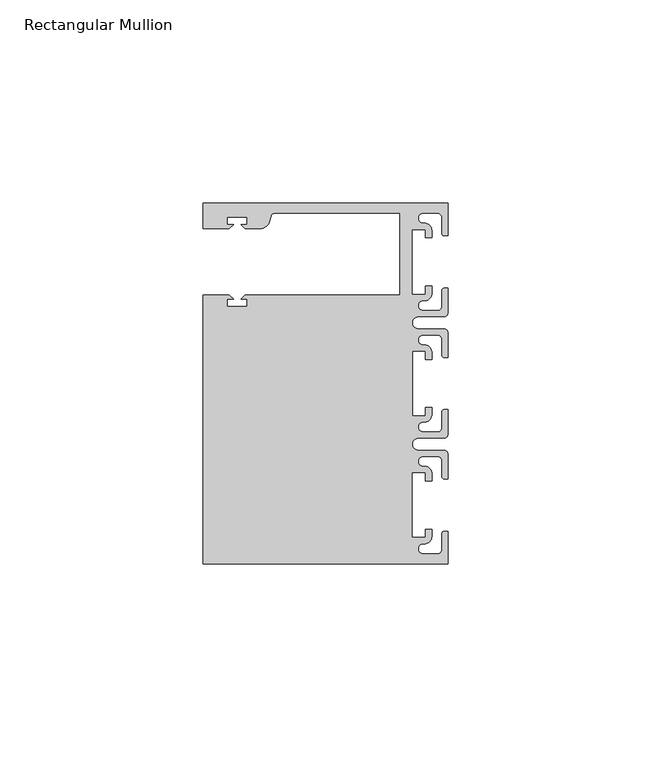
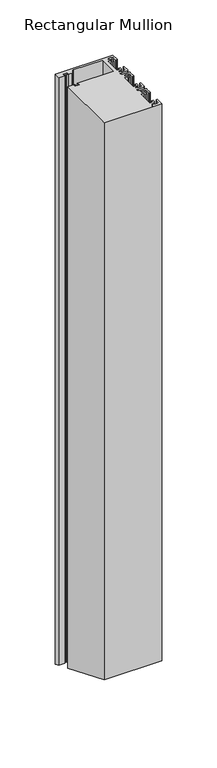
"""IFC4 building model written with IfcOpenShell, lengths in millimetres: member geometry, Rectangular Mullion."""

from ifc_helpers import new_model, si_unit, frame, origin, place, context, project, spatial, polyline, circle_curve, ellipse_curve, source, transform, mapped, element, save
from ifc_brep_helpers import plane_surface, cylinder_surface, revolved_surface, advanced_brep


def rectangular_mullion_9ac4b162(model_context):
    return source(origin(), model_context, "Body", "AdvancedBrep", [
        advanced_brep(
        [(0.0, 44.45, 0.0), (-60.3249977, 44.45, 0.0), (-60.3249977, 38.1499897, 0.0), (-53.8507531, 38.1499897, 0.0), (-52.8507405, 39.1500023, 0.0), (-54.4249778, 39.1500023, 0.0), (-54.4249778, 40.9498819, 0.0), (-49.4249831, 40.9498819, 0.0), (-49.4249831, 39.1500023, 0.0), (-50.999256, 39.1500023, 0.0), (-49.9992503, 38.1499966, 0.0), (-46.3137853, 38.1499966, 0.0), (-43.8989707, 40.002949, 0.0), (-43.5758588, 41.2088192, 0.0), (-42.6099329, 41.9500001, 0.0), (-11.8, 41.95, 0.0), (-11.8, 21.7499959, 0.0), (-49.9992434, 21.7499959, 0.0), (-50.999256, 20.7499834, 0.0), (-49.4250186, 20.7499834, 0.0), (-49.4250186, 18.949936, 0.0), (-54.4250134, 18.949936, 0.0), (-54.4250134, 20.7499834, 0.0), (-52.8507405, 20.7499834, 0.0), (-53.8507562, 21.749999, 0.0), (-60.325, 21.749999, 0.0), (-60.325, -44.45, 0.0), (0.0, -44.45, 0.0), (0.0, -36.4500318, 0.0), (-1.0, -36.4500318, 0.0), (-1.5, -36.9500318, 0.0), (-1.5, -40.95, 0.0), (-2.5, -41.95, 0.0), (-6.0499986, -41.95, 0.0), (-5.9027291, -39.4587029, 0.0), (-4.0000054, -37.7499972, 0.0), (-4.0000054, -35.9500318, 0.0), (-5.5, -35.9500318, 0.0), (-5.5, -37.9499972, 0.0), (-8.8585786, -37.9499972, 0.0), (-8.8585786, -21.9499956, 0.0), (-5.5, -21.9499956, 0.0), (-5.5, -23.9499611, 0.0), (-3.9999946, -23.9499611, 0.0), (-3.9999946, -22.0272972, 0.0), (-6.0499986, -20.4499956, 0.0), (-6.0499986, -17.9499929, 0.0), (-2.5, -17.9499929, 0.0), (-1.5, -18.9499929, 0.0), (-1.5, -22.9499611, 0.0), (-1.0, -23.4499611, 0.0), (0.0, -23.4499611, 0.0), (0.0, -17.4499929, 0.0), (-1.0, -16.4499929, 0.0), (-7.3, -16.4499929, 0.0), (-7.3046244, -13.45, 0.0), (-1.0, -13.45, 0.0), (0.0, -12.45, 0.0), (0.0, -6.4500354, 0.0), (-0.9999964, -6.4500354, 0.0), (-1.4999964, -6.9500354, 0.0), (-1.4999964, -10.95, 0.0), (-2.4999964, -11.95, 0.0), (-6.0499986, -11.95, 0.0), (-6.0499986, -9.4499972, 0.0), (-4.0000054, -7.7499972, 0.0), (-4.0000054, -5.9500318, 0.0), (-5.5, -5.9500318, 0.0), (-5.5, -7.9499972, 0.0), (-8.8, -7.9499972, 0.0), (-8.8, 7.9499972, 0.0), (-5.5, 7.9499972, 0.0), (-5.5, 5.9500318, 0.0), (-4.0000054, 5.9500318, 0.0), (-4.0000054, 7.7499972, 0.0), (-6.0499986, 9.4499972, 0.0), (-6.0499986, 11.95, 0.0), (-2.4999964, 11.95, 0.0), (-1.4999964, 10.95, 0.0), (-1.4999964, 6.9500354, 0.0), (-0.9999964, 6.4500354, 0.0), (0.0, 6.4500354, 0.0), (0.0, 12.45, 0.0), (-1.0, 13.45, 0.0), (-7.3046244, 13.45, 0.0), (-7.3, 16.4499929, 0.0), (-1.0, 16.4499929, 0.0), (0.0, 17.4499929, 0.0), (0.0, 23.4499611, 0.0), (-1.0, 23.4499611, 0.0), (-1.5, 22.9499611, 0.0), (-1.5, 18.9499929, 0.0), (-2.5, 17.9499929, 0.0), (-6.0499986, 17.9499929, 0.0), (-6.0499986, 20.4499956, 0.0), (-3.9999946, 22.0272972, 0.0), (-3.9999946, 23.9499611, 0.0), (-5.5, 23.9499611, 0.0), (-5.5, 21.9499956, 0.0), (-8.8585786, 21.9499956, 0.0), (-8.8585786, 37.9499972, 0.0), (-5.5, 37.9499972, 0.0), (-5.5, 35.9500318, 0.0), (-4.0000054, 35.9500318, 0.0), (-4.0000054, 37.7499972, 0.0), (-5.9027291, 39.4587029, 0.0), (-6.0499986, 41.95, 0.0), (-2.5, 41.95, 0.0), (-1.5, 40.95, 0.0), (-1.5, 36.9500318, 0.0), (-1.0, 36.4500318, 0.0), (0.0, 36.4500318, 0.0), (0.0, 44.45, -653.4117928), (-60.3249977, 44.45, -653.4117928), (-60.3249977, 38.1499897, -650.8022431), (-53.8507531, 38.1499897, -650.8022431), (-52.8507405, 39.1500023, -651.2164619), (-54.4249778, 39.1500023, -651.2164619), (-54.4249778, 40.9498819, -651.9619965), (-49.4249831, 40.9498819, -651.9619965), (-49.4249831, 39.1500023, -651.2164619), (-50.999256, 39.1500023, -651.2164619), (-49.9992503, 38.1499966, -650.802246), (-46.3137853, 38.1499966, -650.802246), (-43.8989707, 40.002949, -651.569764), (-43.5758588, 41.2088192, -652.0692518), (-42.6099329, 41.9500001, -652.376259), (-11.8, 41.95, -652.3762589), (-11.8, 21.7499959, -644.0091433), (-49.9992434, 21.7499959, -644.0091433), (-50.999256, 20.7499834, -643.5949245), (-49.4250186, 20.7499834, -643.5949245), (-49.4250186, 18.949936, -642.8493205), (-54.4250134, 18.949936, -642.8493205), (-54.4250134, 20.7499834, -643.5949245), (-52.8507405, 20.7499834, -643.5949245), (-53.8507562, 21.749999, -644.0091446), (-60.325, 21.749999, -644.0091446), (-60.325, -44.45, -616.5882072), (0.0, -44.45, -616.5882072), (0.0, -36.4500318, -619.9019025), (-1.0, -36.4500318, -619.9019025), (-1.5, -36.9500318, -619.6947957), (-1.5, -40.95, -618.0379546), (-2.5, -41.95, -617.6237411), (-6.0499986, -41.95, -617.6237411), (-5.9027291, -39.4587029, -618.6556701), (-4.0000054, -37.7499972, -619.3634392), (-4.0000054, -35.9500318, -620.1090093), (-5.5, -35.9500318, -620.1090093), (-5.5, -37.9499972, -619.2805964), (-8.8585786, -37.9499972, -619.2805964), (-8.8585786, -21.9499956, -625.9080141), (-5.5, -21.9499956, -625.9080141), (-5.5, -23.9499611, -625.0796013), (-3.9999946, -23.9499611, -625.0796013), (-3.9999946, -22.0272972, -625.8759947), (-6.0499986, -20.4499956, -626.5293345), (-6.0499986, -17.9499929, -627.5648695), (-2.5, -17.9499929, -627.5648695), (-1.5, -18.9499929, -627.1506559), (-1.5, -22.9499611, -625.4938149), (-1.0, -23.4499611, -625.2867081), (0.0, -23.4499611, -625.2867081), (0.0, -17.4499929, -627.7719763), (-1.0, -16.4499929, -628.1861899), (-7.3, -16.4499929, -628.1861899), (-7.3046244, -13.45, -629.4288276), (-1.0, -13.45, -629.4288276), (0.0, -12.45, -629.8430411), (0.0, -6.4500354, -632.3283079), (-0.9999964, -6.4500354, -632.3283079), (-1.4999964, -6.9500354, -632.1212011), (-1.4999964, -10.95, -630.4643615), (-2.4999964, -11.95, -630.0501479), (-6.0499986, -11.95, -630.0501479), (-6.0499986, -9.4499972, -631.085683), (-4.0000054, -7.7499972, -631.789846), (-4.0000054, -5.9500318, -632.5354161), (-5.5, -5.9500318, -632.5354161), (-5.5, -7.9499972, -631.7070033), (-8.8, -7.9499972, -631.7070033), (-8.8, 7.9499972, -638.2929967), (-5.5, 7.9499972, -638.2929967), (-5.5, 5.9500318, -637.4645839), (-4.0000054, 5.9500318, -637.4645839), (-4.0000054, 7.7499972, -638.210154), (-6.0499986, 9.4499972, -638.914317), (-6.0499986, 11.95, -639.9498521), (-2.4999964, 11.95, -639.9498521), (-1.4999964, 10.95, -639.5356385), (-1.4999964, 6.9500354, -637.8787989), (-0.9999964, 6.4500354, -637.6716921), (0.0, 6.4500354, -637.6716921), (0.0, 12.45, -640.1569589), (-1.0, 13.45, -640.5711724), (-7.3046244, 13.45, -640.5711724), (-7.3, 16.4499929, -641.8138101), (-1.0, 16.4499929, -641.8138101), (0.0, 17.4499929, -642.2280237), (0.0, 23.4499611, -644.7132919), (-1.0, 23.4499611, -644.7132919), (-1.5, 22.9499611, -644.5061851), (-1.5, 18.9499929, -642.8493441), (-2.5, 17.9499929, -642.4351305), (-6.0499986, 17.9499929, -642.4351305), (-6.0499986, 20.4499956, -643.4706655), (-3.9999946, 22.0272972, -644.1240053), (-3.9999946, 23.9499611, -644.9203987), (-5.5, 23.9499611, -644.9203987), (-5.5, 21.9499956, -644.0919859), (-8.8585786, 21.9499956, -644.0919859), (-8.8585786, 37.9499972, -650.7194036), (-5.5, 37.9499972, -650.7194036), (-5.5, 35.9500318, -649.8909907), (-4.0000054, 35.9500318, -649.8909907), (-4.0000054, 37.7499972, -650.6365608), (-5.9027291, 39.4587029, -651.3443299), (-6.0499986, 41.95, -652.3762589), (-2.5, 41.95, -652.3762589), (-1.5, 40.95, -651.9620454), (-1.5, 36.9500318, -650.3052043), (-1.0, 36.4500318, -650.0980975), (0.0, 36.4500318, -650.0980975)],
        [
            (0, 1),
            (1, 2),
            (2, 3),
            (3, 4),
            (4, 5),
            (5, 6),
            (6, 7),
            (7, 8),
            (8, 9),
            (9, 10),
            (10, 11),
            (11, 12, circle_curve(frame((-46.3137853, 40.6499966, 0.0), z_axis=(0.0, 0.0, 1.0), x_axis=(0.0, -1.0, 0.0)), 2.5)),
            (12, 13),
            (13, 14, circle_curve(frame((-42.6099329, 40.9500001, 0.0), z_axis=(0.0, 0.0, -1.0), x_axis=(0.0, -1.0, 0.0)), 1.0)),
            (14, 15),
            (15, 16),
            (16, 17),
            (17, 18),
            (18, 19),
            (19, 20),
            (20, 21),
            (21, 22),
            (22, 23),
            (23, 24),
            (24, 25),
            (25, 26),
            (26, 27),
            (27, 28),
            (28, 29),
            (29, 30, circle_curve(frame((-1.0, -36.9500318, 0.0), z_axis=(0.0, 0.0, 1.0), x_axis=(0.0, 1.0, 0.0)), 0.5)),
            (30, 31),
            (31, 32, circle_curve(frame((-2.5, -40.95, 0.0), z_axis=(0.0, 0.0, -1.0), x_axis=(0.0, 1.0, 0.0)), 1.0)),
            (32, 33),
            (33, 34, circle_curve(frame((-6.0499986, -40.6999986, 0.0), z_axis=(0.0, 0.0, -1.0), x_axis=(0.0, 1.0, 0.0)), 1.2500014)),
            (34, 35, circle_curve(frame((-5.7186029, -37.7499972, 0.0), z_axis=(0.0, 0.0, 1.0), x_axis=(1.0, 0.0, 0.0)), 1.7185975)),
            (35, 36),
            (36, 37),
            (37, 38),
            (38, 39),
            (39, 40),
            (40, 41),
            (41, 42),
            (42, 43),
            (43, 44),
            (44, 45, circle_curve(frame((-5.7543344, -22.1865598, 0.0), z_axis=(0.0, 0.0, 1.0), x_axis=(1.0, 0.0, 0.0)), 1.761554)),
            (45, 46, circle_curve(frame((-6.0499986, -19.1999942, 0.0), z_axis=(0.0, 0.0, -1.0), x_axis=(0.0, 1.0, 0.0)), 1.2500014)),
            (46, 47),
            (47, 48, circle_curve(frame((-2.5, -18.9499929, 0.0), z_axis=(0.0, 0.0, -1.0), x_axis=(0.0, 1.0, 0.0)), 1.0)),
            (48, 49),
            (49, 50, circle_curve(frame((-1.0, -22.9499611, 0.0), z_axis=(0.0, 0.0, 1.0), x_axis=(0.0, 1.0, 0.0)), 0.5)),
            (50, 51),
            (51, 52),
            (52, 53, circle_curve(frame((-1.0, -17.4499929, 0.0), z_axis=(0.0, 0.0, 1.0), x_axis=(0.0, 1.0, 0.0)), 1.0)),
            (53, 54),
            (54, 55, circle_curve(frame((-7.3, -14.9499929, 0.0), z_axis=(0.0, 0.0, -1.0), x_axis=(0.0, 1.0, 0.0)), 1.5)),
            (55, 56),
            (56, 57, circle_curve(frame((-1.0, -12.45, 0.0), z_axis=(0.0, 0.0, 1.0), x_axis=(0.0, 1.0, 0.0)), 1.0)),
            (57, 58),
            (58, 59),
            (59, 60, circle_curve(frame((-0.9999964, -6.9500354, 0.0), z_axis=(0.0, 0.0, 1.0), x_axis=(0.0, 1.0, 0.0)), 0.5)),
            (60, 61),
            (61, 62, circle_curve(frame((-2.4999964, -10.95, 0.0), z_axis=(0.0, 0.0, -1.0), x_axis=(0.0, 1.0, 0.0)), 1.0)),
            (62, 63),
            (63, 64, circle_curve(frame((-6.0499986, -10.6999986, 0.0), z_axis=(0.0, 0.0, -1.0), x_axis=(0.0, 1.0, 0.0)), 1.2500014)),
            (64, 65, circle_curve(frame((-5.7298824, -7.7499972, 0.0), z_axis=(0.0, 0.0, 1.0), x_axis=(1.0, 0.0, 0.0)), 1.729877)),
            (65, 66),
            (66, 67),
            (67, 68),
            (68, 69),
            (69, 70),
            (70, 71),
            (71, 72),
            (72, 73),
            (73, 74),
            (74, 75, circle_curve(frame((-5.7298824, 7.7499972, 0.0), z_axis=(0.0, 0.0, 1.0), x_axis=(1.0, 0.0, 0.0)), 1.729877)),
            (75, 76, circle_curve(frame((-6.0499986, 10.6999986, 0.0), z_axis=(0.0, 0.0, -1.0), x_axis=(0.0, -1.0, 0.0)), 1.2500014)),
            (76, 77),
            (77, 78, circle_curve(frame((-2.4999964, 10.95, 0.0), z_axis=(0.0, 0.0, -1.0), x_axis=(0.0, -1.0, 0.0)), 1.0)),
            (78, 79),
            (79, 80, circle_curve(frame((-0.9999964, 6.9500354, 0.0), z_axis=(0.0, 0.0, 1.0), x_axis=(0.0, -1.0, 0.0)), 0.5)),
            (80, 81),
            (81, 82),
            (82, 83, circle_curve(frame((-1.0, 12.45, 0.0), z_axis=(0.0, 0.0, 1.0), x_axis=(0.0, -1.0, 0.0)), 1.0)),
            (83, 84),
            (84, 85, circle_curve(frame((-7.3, 14.9499929, 0.0), z_axis=(0.0, 0.0, -1.0), x_axis=(0.0, -1.0, 0.0)), 1.5)),
            (85, 86),
            (86, 87, circle_curve(frame((-1.0, 17.4499929, 0.0), z_axis=(0.0, 0.0, 1.0), x_axis=(0.0, -1.0, 0.0)), 1.0)),
            (87, 88),
            (88, 89),
            (89, 90, circle_curve(frame((-1.0, 22.9499611, 0.0), z_axis=(0.0, 0.0, 1.0), x_axis=(0.0, -1.0, 0.0)), 0.5)),
            (90, 91),
            (91, 92, circle_curve(frame((-2.5, 18.9499929, 0.0), z_axis=(0.0, 0.0, -1.0), x_axis=(0.0, -1.0, 0.0)), 1.0)),
            (92, 93),
            (93, 94, circle_curve(frame((-6.0499986, 19.1999942, 0.0), z_axis=(0.0, 0.0, -1.0), x_axis=(0.0, -1.0, 0.0)), 1.2500014)),
            (94, 95, circle_curve(frame((-5.7543344, 22.1865598, 0.0), z_axis=(0.0, 0.0, 1.0), x_axis=(1.0, 0.0, 0.0)), 1.761554)),
            (95, 96),
            (96, 97),
            (97, 98),
            (98, 99),
            (99, 100),
            (100, 101),
            (101, 102),
            (102, 103),
            (103, 104),
            (104, 105, circle_curve(frame((-5.7186029, 37.7499972, 0.0), z_axis=(0.0, 0.0, 1.0), x_axis=(1.0, 0.0, 0.0)), 1.7185975)),
            (105, 106, circle_curve(frame((-6.0499986, 40.6999986, 0.0), z_axis=(0.0, 0.0, -1.0), x_axis=(0.0, -1.0, 0.0)), 1.2500014)),
            (106, 107),
            (107, 108, circle_curve(frame((-2.5, 40.95, 0.0), z_axis=(0.0, 0.0, -1.0), x_axis=(0.0, -1.0, 0.0)), 1.0)),
            (108, 109),
            (109, 110, circle_curve(frame((-1.0, 36.9500318, 0.0), z_axis=(0.0, 0.0, 1.0), x_axis=(0.0, -1.0, 0.0)), 0.5)),
            (110, 111),
            (111, 0),
            (0, 112),
            (112, 113),
            (113, 1),
            (113, 114),
            (114, 2),
            (114, 115),
            (115, 3),
            (115, 116),
            (116, 4),
            (116, 117),
            (117, 5),
            (117, 118),
            (118, 6),
            (118, 119),
            (119, 7),
            (119, 120),
            (120, 8),
            (120, 121),
            (121, 9),
            (121, 122),
            (122, 10),
            (122, 123),
            (123, 11),
            (123, 124, ellipse_curve(frame((-46.3137853, 40.6499966, -651.8377799), z_axis=(0.0, 0.38268343236509095, 0.9238795325112864), x_axis=(0.0, -0.9238795325112866, 0.3826834323650903)), 2.7059805, 2.5)),
            (124, 12),
            (124, 125),
            (125, 13),
            (125, 126, ellipse_curve(frame((-42.6099329, 40.9500001, -651.9620454), z_axis=(0.0, -0.38268343236509095, -0.9238795325112864), x_axis=(0.0, 0.9238795325112866, -0.3826834323650903)), 1.0823922, 1.0)),
            (126, 14),
            (126, 127),
            (127, 15),
            (127, 128),
            (128, 16),
            (128, 129),
            (129, 17),
            (129, 130),
            (130, 18),
            (130, 131),
            (131, 19),
            (131, 132),
            (132, 20),
            (132, 133),
            (133, 21),
            (133, 134),
            (134, 22),
            (134, 135),
            (135, 23),
            (135, 136),
            (136, 24),
            (136, 137),
            (137, 25),
            (137, 138),
            (138, 26),
            (138, 139),
            (139, 27),
            (139, 140),
            (140, 28),
            (140, 141),
            (141, 29),
            (141, 142, ellipse_curve(frame((-1.0, -36.9500318, -619.6947957), z_axis=(0.0, 0.38268343236509095, 0.9238795325112864), x_axis=(0.0, -0.9238795325112866, 0.3826834323650903)), 0.5411961, 0.5)),
            (142, 30),
            (142, 143),
            (143, 31),
            (143, 144, ellipse_curve(frame((-2.5, -40.95, -618.0379546), z_axis=(0.0, -0.38268343236509095, -0.9238795325112864), x_axis=(0.0, 0.9238795325112866, -0.3826834323650903)), 1.0823922, 1.0)),
            (144, 32),
            (144, 145),
            (145, 33),
            (145, 146, ellipse_curve(frame((-6.0499986, -40.6999986, -618.1415086), z_axis=(0.0, -0.38268343236509095, -0.9238795325112864), x_axis=(0.0, 0.9238795325112866, -0.3826834323650903)), 1.3529917, 1.2500014)),
            (146, 34),
            (146, 147, ellipse_curve(frame((-5.7186029, -37.7499972, -619.3634392), z_axis=(0.0, 0.38268343236509095, 0.9238795325112864), x_axis=(0.0, -0.9238795325112866, 0.3826834323650903)), 1.8601965, 1.7185975)),
            (147, 35),
            (147, 148),
            (148, 36),
            (148, 149),
            (149, 37),
            (149, 150),
            (150, 38),
            (150, 151),
            (151, 39),
            (151, 152),
            (152, 40),
            (152, 153),
            (153, 41),
            (153, 154),
            (154, 42),
            (154, 155),
            (155, 43),
            (155, 156),
            (156, 44),
            (156, 157, ellipse_curve(frame((-5.7543344, -22.1865598, -625.810026), z_axis=(0.0, 0.38268343236509095, 0.9238795325112864), x_axis=(0.0, -0.9238795325112866, 0.3826834323650903)), 1.9066923, 1.761554)),
            (157, 45),
            (157, 158, ellipse_curve(frame((-6.0499986, -19.1999942, -627.047102), z_axis=(0.0, -0.38268343236509095, -0.9238795325112864), x_axis=(0.0, 0.9238795325112866, -0.3826834323650903)), 1.3529917, 1.2500014)),
            (158, 46),
            (158, 159),
            (159, 47),
            (159, 160, ellipse_curve(frame((-2.5, -18.9499929, -627.1506559), z_axis=(0.0, -0.38268343236509095, -0.9238795325112864), x_axis=(0.0, 0.9238795325112866, -0.3826834323650903)), 1.0823922, 1.0)),
            (160, 48),
            (160, 161),
            (161, 49),
            (161, 162, ellipse_curve(frame((-1.0, -22.9499611, -625.4938149), z_axis=(0.0, 0.38268343236509095, 0.9238795325112864), x_axis=(0.0, -0.9238795325112866, 0.3826834323650903)), 0.5411961, 0.5)),
            (162, 50),
            (162, 163),
            (163, 51),
            (163, 164),
            (164, 52),
            (164, 165, ellipse_curve(frame((-1.0, -17.4499929, -627.7719763), z_axis=(0.0, 0.38268343236509095, 0.9238795325112864), x_axis=(0.0, -0.9238795325112866, 0.3826834323650903)), 1.0823922, 1.0)),
            (165, 53),
            (165, 166),
            (166, 54),
            (166, 167, ellipse_curve(frame((-7.3, -14.9499929, -628.8075102), z_axis=(0.0, -0.38268343236509095, -0.9238795325112864), x_axis=(0.0, 0.9238795325112866, -0.3826834323650903)), 1.6235883, 1.5)),
            (167, 55),
            (167, 168),
            (168, 56),
            (168, 169, ellipse_curve(frame((-1.0, -12.45, -629.8430411), z_axis=(0.0, 0.38268343236509095, 0.9238795325112864), x_axis=(0.0, -0.9238795325112866, 0.3826834323650903)), 1.0823922, 1.0)),
            (169, 57),
            (169, 170),
            (170, 58),
            (170, 171),
            (171, 59),
            (171, 172, ellipse_curve(frame((-0.9999964, -6.9500354, -632.1212011), z_axis=(0.0, 0.38268343236509095, 0.9238795325112864), x_axis=(0.0, -0.9238795325112866, 0.3826834323650903)), 0.5411961, 0.5)),
            (172, 60),
            (172, 173),
            (173, 61),
            (173, 174, ellipse_curve(frame((-2.4999964, -10.95, -630.4643615), z_axis=(0.0, -0.38268343236509095, -0.9238795325112864), x_axis=(0.0, 0.9238795325112866, -0.3826834323650903)), 1.0823922, 1.0)),
            (174, 62),
            (174, 175),
            (175, 63),
            (175, 176, ellipse_curve(frame((-6.0499986, -10.6999986, -630.5679155), z_axis=(0.0, -0.38268343236509095, -0.9238795325112864), x_axis=(0.0, 0.9238795325112866, -0.3826834323650903)), 1.3529917, 1.2500014)),
            (176, 64),
            (176, 177, ellipse_curve(frame((-5.7298824, -7.7499972, -631.789846), z_axis=(0.0, 0.38268343236509095, 0.9238795325112864), x_axis=(0.0, -0.9238795325112866, 0.3826834323650903)), 1.8724054, 1.729877)),
            (177, 65),
            (177, 178),
            (178, 66),
            (178, 179),
            (179, 67),
            (179, 180),
            (180, 68),
            (180, 181),
            (181, 69),
            (181, 182),
            (182, 70),
            (182, 183),
            (183, 71),
            (183, 184),
            (184, 72),
            (184, 185),
            (185, 73),
            (185, 186),
            (186, 74),
            (186, 187, ellipse_curve(frame((-5.7298824, 7.7499972, -638.210154), z_axis=(0.0, 0.38268343236509095, 0.9238795325112864), x_axis=(0.0, -0.9238795325112866, 0.3826834323650903)), 1.8724054, 1.729877)),
            (187, 75),
            (187, 188, ellipse_curve(frame((-6.0499986, 10.6999986, -639.4320845), z_axis=(0.0, -0.38268343236509095, -0.9238795325112864), x_axis=(0.0, 0.9238795325112866, -0.3826834323650903)), 1.3529917, 1.2500014)),
            (188, 76),
            (188, 189),
            (189, 77),
            (189, 190, ellipse_curve(frame((-2.4999964, 10.95, -639.5356385), z_axis=(0.0, -0.38268343236509095, -0.9238795325112864), x_axis=(0.0, 0.9238795325112866, -0.3826834323650903)), 1.0823922, 1.0)),
            (190, 78),
            (190, 191),
            (191, 79),
            (191, 192, ellipse_curve(frame((-0.9999964, 6.9500354, -637.8787989), z_axis=(0.0, 0.38268343236509095, 0.9238795325112864), x_axis=(0.0, -0.9238795325112866, 0.3826834323650903)), 0.5411961, 0.5)),
            (192, 80),
            (192, 193),
            (193, 81),
            (193, 194),
            (194, 82),
            (194, 195, ellipse_curve(frame((-1.0, 12.45, -640.1569589), z_axis=(0.0, 0.38268343236509095, 0.9238795325112864), x_axis=(0.0, -0.9238795325112866, 0.3826834323650903)), 1.0823922, 1.0)),
            (195, 83),
            (195, 196),
            (196, 84),
            (196, 197, ellipse_curve(frame((-7.3, 14.9499929, -641.1924898), z_axis=(0.0, -0.38268343236509095, -0.9238795325112864), x_axis=(0.0, 0.9238795325112866, -0.3826834323650903)), 1.6235883, 1.5)),
            (197, 85),
            (197, 198),
            (198, 86),
            (198, 199, ellipse_curve(frame((-1.0, 17.4499929, -642.2280237), z_axis=(0.0, 0.38268343236509095, 0.9238795325112864), x_axis=(0.0, -0.9238795325112866, 0.3826834323650903)), 1.0823922, 1.0)),
            (199, 87),
            (199, 200),
            (200, 88),
            (200, 201),
            (201, 89),
            (201, 202, ellipse_curve(frame((-1.0, 22.9499611, -644.5061851), z_axis=(0.0, 0.38268343236509095, 0.9238795325112864), x_axis=(0.0, -0.9238795325112866, 0.3826834323650903)), 0.5411961, 0.5)),
            (202, 90),
            (202, 203),
            (203, 91),
            (203, 204, ellipse_curve(frame((-2.5, 18.9499929, -642.8493441), z_axis=(0.0, -0.38268343236509095, -0.9238795325112864), x_axis=(0.0, 0.9238795325112866, -0.3826834323650903)), 1.0823922, 1.0)),
            (204, 92),
            (204, 205),
            (205, 93),
            (205, 206, ellipse_curve(frame((-6.0499986, 19.1999942, -642.952898), z_axis=(0.0, -0.38268343236509095, -0.9238795325112864), x_axis=(0.0, 0.9238795325112866, -0.3826834323650903)), 1.3529917, 1.2500014)),
            (206, 94),
            (206, 207, ellipse_curve(frame((-5.7543344, 22.1865598, -644.189974), z_axis=(0.0, 0.38268343236509095, 0.9238795325112864), x_axis=(0.0, -0.9238795325112866, 0.3826834323650903)), 1.9066923, 1.761554)),
            (207, 95),
            (207, 208),
            (208, 96),
            (208, 209),
            (209, 97),
            (209, 210),
            (210, 98),
            (210, 211),
            (211, 99),
            (211, 212),
            (212, 100),
            (212, 213),
            (213, 101),
            (213, 214),
            (214, 102),
            (214, 215),
            (215, 103),
            (215, 216),
            (216, 104),
            (216, 217, ellipse_curve(frame((-5.7186029, 37.7499972, -650.6365608), z_axis=(0.0, 0.38268343236509095, 0.9238795325112864), x_axis=(0.0, -0.9238795325112866, 0.3826834323650903)), 1.8601965, 1.7185975)),
            (217, 105),
            (217, 218, ellipse_curve(frame((-6.0499986, 40.6999986, -651.8584914), z_axis=(0.0, -0.38268343236509095, -0.9238795325112864), x_axis=(0.0, 0.9238795325112866, -0.3826834323650903)), 1.3529917, 1.2500014)),
            (218, 106),
            (218, 219),
            (219, 107),
            (219, 220, ellipse_curve(frame((-2.5, 40.95, -651.9620454), z_axis=(0.0, -0.38268343236509095, -0.9238795325112864), x_axis=(0.0, 0.9238795325112866, -0.3826834323650903)), 1.0823922, 1.0)),
            (220, 108),
            (220, 221),
            (221, 109),
            (221, 222, ellipse_curve(frame((-1.0, 36.9500318, -650.3052043), z_axis=(0.0, 0.38268343236509095, 0.9238795325112864), x_axis=(0.0, -0.9238795325112866, 0.3826834323650903)), 0.5411961, 0.5)),
            (222, 110),
            (222, 223),
            (223, 111),
            (223, 112),
        ],
        [
            plane_surface(frame((0.0, -74.9326906, 0.0), z_axis=(0.0, 0.0, 1.0), x_axis=(-1.0, 0.0, 0.0))),
            plane_surface(frame((0.0, 44.45, 0.0), z_axis=(0.0, 1.0, 0.0), x_axis=(0.0, 0.0, -1.0))),
            plane_surface(frame((-60.3249977, 44.45, 0.0), z_axis=(-1.0, 0.0, 0.0), x_axis=(0.0, 0.0, -1.0))),
            plane_surface(frame((-60.3249977, 38.1499897, 0.0), z_axis=(0.0, -1.0, 0.0), x_axis=(0.0, 0.0, -1.0))),
            plane_surface(frame((-53.8507531, 38.1499897, 0.0), z_axis=(0.7071067811865492, -0.7071067811865459, 0.0), x_axis=(0.0, 0.0, -1.0))),
            plane_surface(frame((-52.8507405, 39.1500023, 0.0), z_axis=(0.0, 1.0, 0.0), x_axis=(0.0, 0.0, -1.0))),
            plane_surface(frame((-54.4249778, 39.1500023, 0.0), z_axis=(1.0, 0.0, 0.0), x_axis=(0.0, 0.0, -1.0))),
            plane_surface(frame((-54.4249778, 40.9498819, 0.0), z_axis=(0.0, -1.0, 0.0), x_axis=(0.0, 0.0, -1.0))),
            plane_surface(frame((-49.4249831, 40.9498819, 0.0), z_axis=(-1.0, 0.0, 0.0), x_axis=(0.0, 0.0, -1.0))),
            plane_surface(frame((-49.4249831, 39.1500023, 0.0), z_axis=(0.0, 1.0, 0.0), x_axis=(0.0, 0.0, -1.0))),
            plane_surface(frame((-50.999256, 39.1500023, 0.0), z_axis=(-0.7071067811865469, -0.7071067811865481, 0.0), x_axis=(0.0, 0.0, -1.0))),
            plane_surface(frame((-49.9992503, 38.1499966, 0.0), z_axis=(0.0, -1.0, 0.0), x_axis=(0.0, 0.0, -1.0))),
            cylinder_surface(frame((-46.3137853, 40.6499966, 0.0), z_axis=(0.0, 0.0, 1.0), x_axis=(0.0, -1.0, 0.0)), 2.5),
            plane_surface(frame((-43.8989707, 40.002949, 0.0), z_axis=(0.965925826289163, -0.2588190451021675, 0.0), x_axis=(0.0, 0.0, -1.0))),
            revolved_surface(polyline([(-42.6099329, 39.9500001, -652.376259), (-42.6099329, 39.9500001, 0.0)]), (-42.6099329, 40.9500001, 0.0), (0.0, 0.0, -1.0)),
            plane_surface(frame((-42.6099329, 41.95, 0.0), z_axis=(0.0, -1.0, 0.0), x_axis=(0.0, 0.0, -1.0))),
            plane_surface(frame((-11.8, 41.95, 0.0), z_axis=(-1.0, 0.0, 0.0), x_axis=(0.0, 0.0, -1.0))),
            plane_surface(frame((-11.8, 21.7499959, 0.0), z_axis=(0.0, 1.0, 0.0), x_axis=(0.0, 0.0, -1.0))),
            plane_surface(frame((-49.9992434, 21.7499959, 0.0), z_axis=(-0.7071067811865492, 0.7071067811865459, 0.0), x_axis=(0.0, 0.0, -1.0))),
            plane_surface(frame((-50.999256, 20.7499834, 0.0), z_axis=(0.0, -1.0, 0.0), x_axis=(0.0, 0.0, -1.0))),
            plane_surface(frame((-49.4250186, 20.7499834, 0.0), z_axis=(-1.0, 0.0, 0.0), x_axis=(0.0, 0.0, -1.0))),
            plane_surface(frame((-49.4250186, 18.949936, 0.0), z_axis=(0.0, 1.0, 0.0), x_axis=(0.0, 0.0, -1.0))),
            plane_surface(frame((-54.4250134, 18.949936, 0.0), z_axis=(1.0, 0.0, 0.0), x_axis=(0.0, 0.0, -1.0))),
            plane_surface(frame((-54.4250134, 20.7499834, 0.0), z_axis=(0.0, -1.0, 0.0), x_axis=(0.0, 0.0, -1.0))),
            plane_surface(frame((-52.8507405, 20.7499834, 0.0), z_axis=(0.7071067811865472, 0.7071067811865479, 0.0), x_axis=(0.0, 0.0, -1.0))),
            plane_surface(frame((-53.8507562, 21.749999, 0.0), z_axis=(0.0, 1.0, 0.0), x_axis=(0.0, 0.0, -1.0))),
            plane_surface(frame((-60.325, 21.749999, 0.0), z_axis=(-1.0, 0.0, 0.0), x_axis=(0.0, 0.0, -1.0))),
            plane_surface(frame((-60.325, -44.45, 0.0), z_axis=(0.0, -1.0, 0.0), x_axis=(0.0, 0.0, -1.0))),
            plane_surface(frame((0.0, -44.45, 0.0), z_axis=(1.0, 0.0, 0.0), x_axis=(0.0, 0.0, -1.0))),
            plane_surface(frame((0.0, -36.4500318, 0.0), z_axis=(0.0, 1.0, 0.0), x_axis=(0.0, 0.0, -1.0))),
            cylinder_surface(frame((-1.0, -36.9500318, 0.0), z_axis=(0.0, 0.0, 1.0), x_axis=(0.0, 1.0, 0.0)), 0.5),
            plane_surface(frame((-1.5, -36.9500318, 0.0), z_axis=(-1.0, 0.0, 0.0), x_axis=(0.0, 0.0, -1.0))),
            revolved_surface(polyline([(-2.5, -39.95, -618.4521681622613), (-2.5, -39.95, 0.0)]), (-2.5, -40.95, 0.0), (0.0, 0.0, -1.0)),
            plane_surface(frame((-2.5, -41.95, 0.0), z_axis=(0.0, 1.0, 0.0), x_axis=(0.0, 0.0, -1.0))),
            revolved_surface(polyline([(-6.0499986, -39.4499972, -618.6592761077175), (-6.0499986, -39.4499972, 0.0)]), (-6.0499986, -40.6999986, 0.0), (0.0, 0.0, -1.0)),
            cylinder_surface(frame((-5.7186029, -37.7499972, 0.0), z_axis=(0.0, 0.0, 1.0), x_axis=(1.0, 0.0, 0.0)), 1.7185975),
            plane_surface(frame((-4.0000054, -37.7499972, 0.0), z_axis=(1.0, 0.0, 0.0), x_axis=(0.0, 0.0, -1.0))),
            plane_surface(frame((-4.0000054, -35.9500318, 0.0), z_axis=(0.0, 1.0, 0.0), x_axis=(0.0, 0.0, -1.0))),
            plane_surface(frame((-5.5, -35.9500318, 0.0), z_axis=(-1.0, 0.0, 0.0), x_axis=(0.0, 0.0, -1.0))),
            plane_surface(frame((-5.5, -37.9499972, 0.0), z_axis=(0.0, 1.0, 0.0), x_axis=(0.0, 0.0, -1.0))),
            plane_surface(frame((-8.8585786, -37.9499972, 0.0), z_axis=(1.0, 0.0, 0.0), x_axis=(0.0, 0.0, -1.0))),
            plane_surface(frame((-8.8585786, -21.9499956, 0.0), z_axis=(0.0, -1.0, 0.0), x_axis=(0.0, 0.0, -1.0))),
            plane_surface(frame((-5.5, -21.9499956, 0.0), z_axis=(-1.0, 0.0, 0.0), x_axis=(0.0, 0.0, -1.0))),
            plane_surface(frame((-5.5, -23.9499611, 0.0), z_axis=(0.0, -1.0, 0.0), x_axis=(0.0, 0.0, -1.0))),
            plane_surface(frame((-3.9999946, -23.9499611, 0.0), z_axis=(1.0, 0.0, 0.0), x_axis=(0.0, 0.0, -1.0))),
            cylinder_surface(frame((-5.7543344, -22.1865598, 0.0), z_axis=(0.0, 0.0, 1.0), x_axis=(1.0, 0.0, 0.0)), 1.761554),
            revolved_surface(polyline([(-6.0499986, -17.9499928, -627.5648695077175), (-6.0499986, -17.9499928, 0.0)]), (-6.0499986, -19.1999942, 0.0), (0.0, 0.0, -1.0)),
            plane_surface(frame((-6.0499986, -17.9499929, 0.0), z_axis=(0.0, -1.0, 0.0), x_axis=(0.0, 0.0, -1.0))),
            revolved_surface(polyline([(-2.5, -17.9499929, -627.5648695), (-2.5, -17.9499929, 0.0)]), (-2.5, -18.9499929, 0.0), (0.0, 0.0, -1.0)),
            plane_surface(frame((-1.5, -18.9499929, 0.0), z_axis=(-1.0, 0.0, 0.0), x_axis=(0.0, 0.0, -1.0))),
            cylinder_surface(frame((-1.0, -22.9499611, 0.0), z_axis=(0.0, 0.0, 1.0), x_axis=(0.0, 1.0, 0.0)), 0.5),
            plane_surface(frame((-1.0, -23.4499611, 0.0), z_axis=(0.0, -1.0, 0.0), x_axis=(0.0, 0.0, -1.0))),
            plane_surface(frame((0.0, -23.4499611, 0.0), z_axis=(1.0, 0.0, 0.0), x_axis=(0.0, 0.0, -1.0))),
            cylinder_surface(frame((-1.0, -17.4499929, 0.0), z_axis=(0.0, 0.0, 1.0), x_axis=(0.0, 1.0, 0.0)), 1.0),
            plane_surface(frame((-1.0, -16.4499929, 0.0), z_axis=(0.0, 1.0, 0.0), x_axis=(0.0, 0.0, -1.0))),
            revolved_surface(polyline([(-7.3, -13.4499929, -629.4288305433919), (-7.3, -13.4499929, 0.0)]), (-7.3, -14.9499929, 0.0), (0.0, 0.0, -1.0)),
            plane_surface(frame((-7.3046244, -13.45, 0.0), z_axis=(0.0, -1.0, 0.0), x_axis=(0.0, 0.0, -1.0))),
            cylinder_surface(frame((-1.0, -12.45, 0.0), z_axis=(0.0, 0.0, 1.0), x_axis=(0.0, 1.0, 0.0)), 1.0),
            plane_surface(frame((0.0, -12.45, 0.0), z_axis=(1.0, 0.0, 0.0), x_axis=(0.0, 0.0, -1.0))),
            plane_surface(frame((0.0, -6.4500354, 0.0), z_axis=(0.0, 1.0, 0.0), x_axis=(0.0, 0.0, -1.0))),
            cylinder_surface(frame((-0.9999964, -6.9500354, 0.0), z_axis=(0.0, 0.0, 1.0), x_axis=(0.0, 1.0, 0.0)), 0.5),
            plane_surface(frame((-1.4999964, -6.9500354, 0.0), z_axis=(-1.0, 0.0, 0.0), x_axis=(0.0, 0.0, -1.0))),
            revolved_surface(polyline([(-2.4999964, -9.95, -630.8785750622612), (-2.4999964, -9.95, 0.0)]), (-2.4999964, -10.95, 0.0), (0.0, 0.0, -1.0)),
            plane_surface(frame((-2.4999964, -11.95, 0.0), z_axis=(0.0, 1.0, 0.0), x_axis=(0.0, 0.0, -1.0))),
            revolved_surface(polyline([(-6.0499986, -9.4499972, -631.0856830077175), (-6.0499986, -9.4499972, 0.0)]), (-6.0499986, -10.6999986, 0.0), (0.0, 0.0, -1.0)),
            cylinder_surface(frame((-5.7298824, -7.7499972, 0.0), z_axis=(0.0, 0.0, 1.0), x_axis=(1.0, 0.0, 0.0)), 1.729877),
            plane_surface(frame((-4.0000054, -7.7499972, 0.0), z_axis=(1.0, 0.0, 0.0), x_axis=(0.0, 0.0, -1.0))),
            plane_surface(frame((-4.0000054, -5.9500318, 0.0), z_axis=(0.0, 1.0, 0.0), x_axis=(0.0, 0.0, -1.0))),
            plane_surface(frame((-5.5, -5.9500318, 0.0), z_axis=(-1.0, 0.0, 0.0), x_axis=(0.0, 0.0, -1.0))),
            plane_surface(frame((-5.5, -7.9499972, 0.0), z_axis=(0.0, 1.0, 0.0), x_axis=(0.0, 0.0, -1.0))),
            plane_surface(frame((-8.8, -7.9499972, 0.0), z_axis=(1.0, 0.0, 0.0), x_axis=(0.0, 0.0, -1.0))),
            plane_surface(frame((-8.8, 7.9499972, 0.0), z_axis=(0.0, -1.0, 0.0), x_axis=(0.0, 0.0, -1.0))),
            plane_surface(frame((-5.5, 7.9499972, 0.0), z_axis=(-1.0, 0.0, 0.0), x_axis=(0.0, 0.0, -1.0))),
            plane_surface(frame((-5.5, 5.9500318, 0.0), z_axis=(0.0, -1.0, 0.0), x_axis=(0.0, 0.0, -1.0))),
            plane_surface(frame((-4.0000054, 5.9500318, 0.0), z_axis=(1.0, 0.0, 0.0), x_axis=(0.0, 0.0, -1.0))),
            cylinder_surface(frame((-5.7298824, 7.7499972, 0.0), z_axis=(0.0, 0.0, 1.0), x_axis=(1.0, 0.0, 0.0)), 1.729877),
            revolved_surface(polyline([(-6.0499986, 9.4499972, -639.9498521), (-6.0499986, 9.4499972, 0.0)]), (-6.0499986, 10.6999986, 0.0), (0.0, 0.0, -1.0)),
            plane_surface(frame((-6.0499986, 11.95, 0.0), z_axis=(0.0, -1.0, 0.0), x_axis=(0.0, 0.0, -1.0))),
            revolved_surface(polyline([(-2.4999964, 9.95, -639.9498521), (-2.4999964, 9.95, 0.0)]), (-2.4999964, 10.95, 0.0), (0.0, 0.0, -1.0)),
            plane_surface(frame((-1.4999964, 10.95, 0.0), z_axis=(-1.0, 0.0, 0.0), x_axis=(0.0, 0.0, -1.0))),
            cylinder_surface(frame((-0.9999964, 6.9500354, 0.0), z_axis=(0.0, 0.0, 1.0), x_axis=(0.0, -1.0, 0.0)), 0.5),
            plane_surface(frame((-0.9999964, 6.4500354, 0.0), z_axis=(0.0, -1.0, 0.0), x_axis=(0.0, 0.0, -1.0))),
            plane_surface(frame((0.0, 6.4500354, 0.0), z_axis=(1.0, 0.0, 0.0), x_axis=(0.0, 0.0, -1.0))),
            cylinder_surface(frame((-1.0, 12.45, 0.0), z_axis=(0.0, 0.0, 1.0), x_axis=(0.0, -1.0, 0.0)), 1.0),
            plane_surface(frame((-1.0, 13.45, 0.0), z_axis=(0.0, 1.0, 0.0), x_axis=(0.0, 0.0, -1.0))),
            revolved_surface(polyline([(-7.3, 13.4499929, -641.8138101433918), (-7.3, 13.4499929, 0.0)]), (-7.3, 14.9499929, 0.0), (0.0, 0.0, -1.0)),
            plane_surface(frame((-7.3, 16.4499929, 0.0), z_axis=(0.0, -1.0, 0.0), x_axis=(0.0, 0.0, -1.0))),
            cylinder_surface(frame((-1.0, 17.4499929, 0.0), z_axis=(0.0, 0.0, 1.0), x_axis=(0.0, -1.0, 0.0)), 1.0),
            plane_surface(frame((0.0, 17.4499929, 0.0), z_axis=(1.0, 0.0, 0.0), x_axis=(0.0, 0.0, -1.0))),
            plane_surface(frame((0.0, 23.4499611, 0.0), z_axis=(0.0, 1.0, 0.0), x_axis=(0.0, 0.0, -1.0))),
            cylinder_surface(frame((-1.0, 22.9499611, 0.0), z_axis=(0.0, 0.0, 1.0), x_axis=(0.0, -1.0, 0.0)), 0.5),
            plane_surface(frame((-1.5, 22.9499611, 0.0), z_axis=(-1.0, 0.0, 0.0), x_axis=(0.0, 0.0, -1.0))),
            revolved_surface(polyline([(-2.5, 17.9499929, -643.2635576622613), (-2.5, 17.9499929, 0.0)]), (-2.5, 18.9499929, 0.0), (0.0, 0.0, -1.0)),
            plane_surface(frame((-2.5, 17.9499929, 0.0), z_axis=(0.0, 1.0, 0.0), x_axis=(0.0, 0.0, -1.0))),
            revolved_surface(polyline([(-6.0499986, 17.9499928, -643.4706655077175), (-6.0499986, 17.9499928, 0.0)]), (-6.0499986, 19.1999942, 0.0), (0.0, 0.0, -1.0)),
            cylinder_surface(frame((-5.7543344, 22.1865598, 0.0), z_axis=(0.0, 0.0, 1.0), x_axis=(1.0, 0.0, 0.0)), 1.761554),
            plane_surface(frame((-3.9999946, 22.0272972, 0.0), z_axis=(1.0, 0.0, 0.0), x_axis=(0.0, 0.0, -1.0))),
            plane_surface(frame((-3.9999946, 23.9499611, 0.0), z_axis=(0.0, 1.0, 0.0), x_axis=(0.0, 0.0, -1.0))),
            plane_surface(frame((-5.5, 23.9499611, 0.0), z_axis=(-1.0, 0.0, 0.0), x_axis=(0.0, 0.0, -1.0))),
            plane_surface(frame((-5.5, 21.9499956, 0.0), z_axis=(0.0, 1.0, 0.0), x_axis=(0.0, 0.0, -1.0))),
            plane_surface(frame((-8.8585786, 21.9499956, 0.0), z_axis=(1.0, 0.0, 0.0), x_axis=(0.0, 0.0, -1.0))),
            plane_surface(frame((-8.8585786, 37.9499972, 0.0), z_axis=(0.0, -1.0, 0.0), x_axis=(0.0, 0.0, -1.0))),
            plane_surface(frame((-5.5, 37.9499972, 0.0), z_axis=(-1.0, 0.0, 0.0), x_axis=(0.0, 0.0, -1.0))),
            plane_surface(frame((-5.5, 35.9500318, 0.0), z_axis=(0.0, -1.0, 0.0), x_axis=(0.0, 0.0, -1.0))),
            plane_surface(frame((-4.0000054, 35.9500318, 0.0), z_axis=(1.0, 0.0, 0.0), x_axis=(0.0, 0.0, -1.0))),
            cylinder_surface(frame((-5.7186029, 37.7499972, 0.0), z_axis=(0.0, 0.0, 1.0), x_axis=(1.0, 0.0, 0.0)), 1.7185975),
            revolved_surface(polyline([(-6.0499986, 39.4499972, -652.3762589077176), (-6.0499986, 39.4499972, 0.0)]), (-6.0499986, 40.6999986, 0.0), (0.0, 0.0, -1.0)),
            plane_surface(frame((-6.0499986, 41.95, 0.0), z_axis=(0.0, -1.0, 0.0), x_axis=(0.0, 0.0, -1.0))),
            revolved_surface(polyline([(-2.5, 39.95, -652.3762589622612), (-2.5, 39.95, 0.0)]), (-2.5, 40.95, 0.0), (0.0, 0.0, -1.0)),
            plane_surface(frame((-1.5, 40.95, 0.0), z_axis=(-1.0, 0.0, 0.0), x_axis=(0.0, 0.0, -1.0))),
            cylinder_surface(frame((-1.0, 36.9500318, 0.0), z_axis=(0.0, 0.0, 1.0), x_axis=(0.0, -1.0, 0.0)), 0.5),
            plane_surface(frame((-1.0, 36.4500318, 0.0), z_axis=(0.0, -1.0, 0.0), x_axis=(0.0, 0.0, -1.0))),
            plane_surface(frame((0.0, 36.4500318, 0.0), z_axis=(1.0, 0.0, 0.0), x_axis=(0.0, 0.0, -1.0))),
            plane_surface(frame((304.8, 0.0, -635.0), z_axis=(0.0, -0.38268343236509095, -0.9238795325112864), x_axis=(0.0, -0.9238795325112864, 0.38268343236509095))),
        ],
        [
            (0, [[1, 2, 3, 4, 5, 6, 7, 8, 9, 10, 11, 12, 13, 14, 15, 16, 17, 18, 19, 20, 21, 22, 23, 24, 25, 26, 27, 28, 29, 30, 31, 32, 33, 34, 35, 36, 37, 38, 39, 40, 41, 42, 43, 44, 45, 46, 47, 48, 49, 50, 51, 52, 53, 54, 55, 56, 57, 58, 59, 60, 61, 62, 63, 64, 65, 66, 67, 68, 69, 70, 71, 72, 73, 74, 75, 76, 77, 78, 79, 80, 81, 82, 83, 84, 85, 86, 87, 88, 89, 90, 91, 92, 93, 94, 95, 96, 97, 98, 99, 100, 101, 102, 103, 104, 105, 106, 107, 108, 109, 110, 111, 112]]),
            (1, [[-1, 113, 114, 115]]),
            (2, [[-2, -115, 116, 117]]),
            (3, [[-3, -117, 118, 119]]),
            (4, [[-4, -119, 120, 121]]),
            (5, [[-5, -121, 122, 123]]),
            (6, [[-6, -123, 124, 125]]),
            (7, [[-7, -125, 126, 127]]),
            (8, [[-8, -127, 128, 129]]),
            (9, [[-9, -129, 130, 131]]),
            (10, [[-10, -131, 132, 133]]),
            (11, [[-11, -133, 134, 135]]),
            (12, [[-12, -135, 136, 137]]),
            (13, [[-13, -137, 138, 139]]),
            (14, [[-14, -139, 140, 141]]),
            (15, [[-15, -141, 142, 143]]),
            (16, [[-16, -143, 144, 145]]),
            (17, [[-17, -145, 146, 147]]),
            (18, [[-18, -147, 148, 149]]),
            (19, [[-19, -149, 150, 151]]),
            (20, [[-20, -151, 152, 153]]),
            (21, [[-21, -153, 154, 155]]),
            (22, [[-22, -155, 156, 157]]),
            (23, [[-23, -157, 158, 159]]),
            (24, [[-24, -159, 160, 161]]),
            (25, [[-25, -161, 162, 163]]),
            (26, [[-26, -163, 164, 165]]),
            (27, [[-27, -165, 166, 167]]),
            (28, [[-28, -167, 168, 169]]),
            (29, [[-29, -169, 170, 171]]),
            (30, [[-30, -171, 172, 173]]),
            (31, [[-31, -173, 174, 175]]),
            (32, [[-32, -175, 176, 177]]),
            (33, [[-33, -177, 178, 179]]),
            (34, [[-34, -179, 180, 181]]),
            (35, [[-35, -181, 182, 183]]),
            (36, [[-36, -183, 184, 185]]),
            (37, [[-37, -185, 186, 187]]),
            (38, [[-38, -187, 188, 189]]),
            (39, [[-39, -189, 190, 191]]),
            (40, [[-40, -191, 192, 193]]),
            (41, [[-41, -193, 194, 195]]),
            (42, [[-42, -195, 196, 197]]),
            (43, [[-43, -197, 198, 199]]),
            (44, [[-44, -199, 200, 201]]),
            (45, [[-45, -201, 202, 203]]),
            (46, [[-46, -203, 204, 205]]),
            (47, [[-47, -205, 206, 207]]),
            (48, [[-48, -207, 208, 209]]),
            (49, [[-49, -209, 210, 211]]),
            (50, [[-50, -211, 212, 213]]),
            (51, [[-51, -213, 214, 215]]),
            (52, [[-52, -215, 216, 217]]),
            (53, [[-53, -217, 218, 219]]),
            (54, [[-54, -219, 220, 221]]),
            (55, [[-55, -221, 222, 223]]),
            (56, [[-56, -223, 224, 225]]),
            (57, [[-57, -225, 226, 227]]),
            (58, [[-58, -227, 228, 229]]),
            (59, [[-59, -229, 230, 231]]),
            (60, [[-60, -231, 232, 233]]),
            (61, [[-61, -233, 234, 235]]),
            (62, [[-62, -235, 236, 237]]),
            (63, [[-63, -237, 238, 239]]),
            (64, [[-64, -239, 240, 241]]),
            (65, [[-65, -241, 242, 243]]),
            (66, [[-66, -243, 244, 245]]),
            (67, [[-67, -245, 246, 247]]),
            (68, [[-68, -247, 248, 249]]),
            (69, [[-69, -249, 250, 251]]),
            (70, [[-70, -251, 252, 253]]),
            (71, [[-71, -253, 254, 255]]),
            (72, [[-72, -255, 256, 257]]),
            (73, [[-73, -257, 258, 259]]),
            (74, [[-74, -259, 260, 261]]),
            (75, [[-75, -261, 262, 263]]),
            (76, [[-76, -263, 264, 265]]),
            (77, [[-77, -265, 266, 267]]),
            (78, [[-78, -267, 268, 269]]),
            (79, [[-79, -269, 270, 271]]),
            (80, [[-80, -271, 272, 273]]),
            (81, [[-81, -273, 274, 275]]),
            (82, [[-82, -275, 276, 277]]),
            (83, [[-83, -277, 278, 279]]),
            (84, [[-84, -279, 280, 281]]),
            (85, [[-85, -281, 282, 283]]),
            (86, [[-86, -283, 284, 285]]),
            (87, [[-87, -285, 286, 287]]),
            (88, [[-88, -287, 288, 289]]),
            (89, [[-89, -289, 290, 291]]),
            (90, [[-90, -291, 292, 293]]),
            (91, [[-91, -293, 294, 295]]),
            (92, [[-92, -295, 296, 297]]),
            (93, [[-93, -297, 298, 299]]),
            (94, [[-94, -299, 300, 301]]),
            (95, [[-95, -301, 302, 303]]),
            (96, [[-96, -303, 304, 305]]),
            (97, [[-97, -305, 306, 307]]),
            (98, [[-98, -307, 308, 309]]),
            (99, [[-99, -309, 310, 311]]),
            (100, [[-100, -311, 312, 313]]),
            (101, [[-101, -313, 314, 315]]),
            (102, [[-102, -315, 316, 317]]),
            (103, [[-103, -317, 318, 319]]),
            (104, [[-104, -319, 320, 321]]),
            (105, [[-105, -321, 322, 323]]),
            (106, [[-106, -323, 324, 325]]),
            (107, [[-107, -325, 326, 327]]),
            (108, [[-108, -327, 328, 329]]),
            (109, [[-109, -329, 330, 331]]),
            (110, [[-110, -331, 332, 333]]),
            (111, [[-111, -333, 334, 335]]),
            (112, [[-112, -335, 336, -113]]),
            (113, [[-336, -334, -332, -330, -328, -326, -324, -322, -320, -318, -316, -314, -312, -310, -308, -306, -304, -302, -300, -298, -296, -294, -292, -290, -288, -286, -284, -282, -280, -278, -276, -274, -272, -270, -268, -266, -264, -262, -260, -258, -256, -254, -252, -250, -248, -246, -244, -242, -240, -238, -236, -234, -232, -230, -228, -226, -224, -222, -220, -218, -216, -214, -212, -210, -208, -206, -204, -202, -200, -198, -196, -194, -192, -190, -188, -186, -184, -182, -180, -178, -176, -174, -172, -170, -168, -166, -164, -162, -160, -158, -156, -154, -152, -150, -148, -146, -144, -142, -140, -138, -136, -134, -132, -130, -128, -126, -124, -122, -120, -118, -116, -114]]),
        ],
    ),
    ])


if __name__ == "__main__":
    model = new_model("IFC4")
    model_context = context("Model", 3, world=origin())
    ifc_project = project(units=[si_unit("LENGTHUNIT", "METRE", prefix="MILLI")], contexts=[model_context])
    site = spatial("IfcSite", under=ifc_project)
    building = spatial("IfcBuilding", under=site)
    placement = place(None, origin())
    rectangular_mullion_shape = rectangular_mullion_9ac4b162(model_context)
    element("IfcMember", 1, ObjectType="Rectangular Mullion", at=placement, inside=building, context=model_context, shape_type="MappedRepresentation", body=[
        mapped(rectangular_mullion_shape, transform((0.0, 0.0, 0.0), x_axis=(1.0, 0.0, 0.0), y_axis=(0.0, 1.0, 0.0), z_axis=(0.0, 0.0, 1.0))),
    ])
    save(model, "model.ifc")
